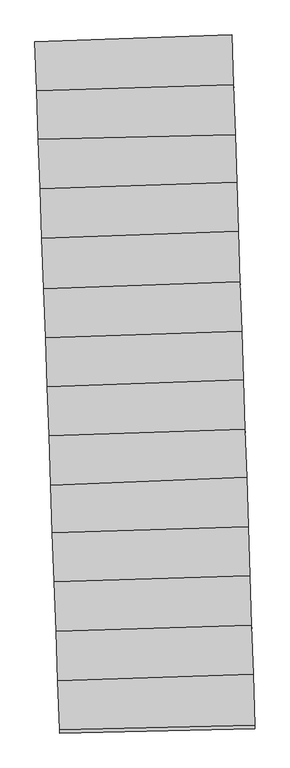
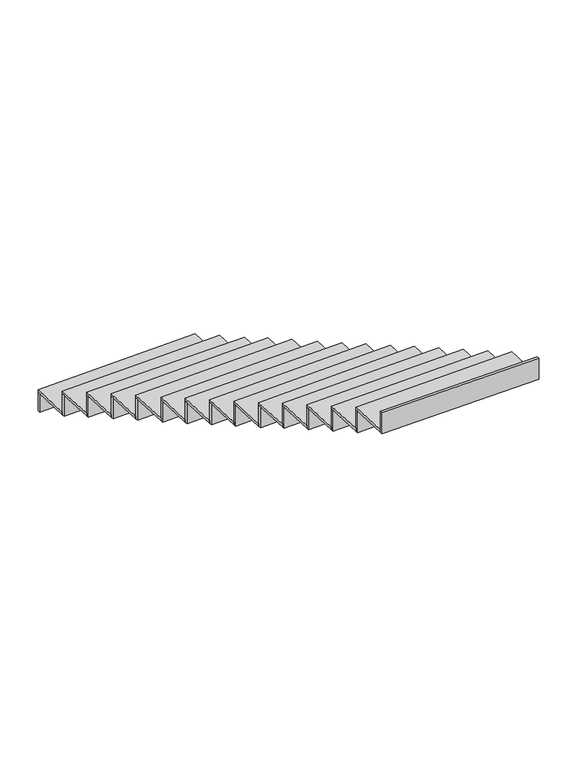
"""IFC4 building model written with IfcOpenShell, lengths in millimetres: stair flight geometry."""

from ifc_helpers import new_model, si_unit, frame, origin, place, context, project, spatial, polyline, outline, extrude, source, transform, mapped, element, save


def stair_flight_0bf007ec(model_context):
    return source(origin(), model_context, "Body", "SweptSolid", [
        extrude(outline(polyline([(-113789.8475693, 55367.4134081), (-113790.5629759, 55387.4006651), (-112585.5661448, 55427.6682399), (-112584.8981744, 55407.6793976), (-113789.8475693, 55367.4134081)])), frame((0.0, 0.0, -2466.5), z_axis=(0.0, 0.0, 1.0), x_axis=(1.0, 0.0, 0.0)), (0.0, 0.0, 1.0), 147.5197413),
        extrude(outline(polyline([(-112575.4263187, 55124.2365488), (-113779.8650817, 55088.5195087), (-113790.5629759, 55387.4006651), (-112585.5661448, 55427.6682399), (-112575.4263187, 55124.2365488)])), frame((0.0, 0.0, -2318.9802587), z_axis=(0.0, 0.0, 1.0), x_axis=(1.0, 0.0, 0.0)), (0.0, 0.0, 1.0), 20.0),
        extrude(outline(polyline([(-113779.1496637, 55068.5319321), (-113779.8650817, 55088.5195087), (-112575.4263187, 55124.2365488), (-112574.7583436, 55104.2475653), (-113779.1496637, 55068.5319321)])), frame((0.0, 0.0, -2318.9802587), z_axis=(0.0, 0.0, 1.0), x_axis=(1.0, 0.0, 0.0)), (0.0, 0.0, 1.0), 167.5197413),
        extrude(outline(polyline([(-112565.1779335, 54817.5562516), (-113769.1848994, 54790.1331896), (-113779.8650817, 55088.5195087), (-112575.4263187, 55124.2365488), (-112565.1779335, 54817.5562516)])), frame((0.0, 0.0, -2151.4605175), z_axis=(0.0, 0.0, 1.0), x_axis=(1.0, 0.0, 0.0)), (0.0, 0.0, 1.0), 20.0),
        extrude(outline(polyline([(-113768.4694342, 54770.1442983), (-113769.1848994, 54790.1331896), (-112565.1779335, 54817.5562516), (-112564.5099253, 54797.5662794), (-113768.4694342, 54770.1442983)])), frame((0.0, 0.0, -2151.4605175), z_axis=(0.0, 0.0, 1.0), x_axis=(1.0, 0.0, 0.0)), (0.0, 0.0, 1.0), 167.5197413),
        extrude(outline(polyline([(-112555.4901299, 54527.6512177), (-113758.3510981, 54487.4550174), (-113769.1848994, 54790.1331896), (-112565.1779335, 54817.5562516), (-112555.4901299, 54527.6512177)])), frame((0.0, 0.0, -1983.9407762), z_axis=(0.0, 0.0, 1.0), x_axis=(1.0, 0.0, 0.0)), (0.0, 0.0, 1.0), 20.0),
        extrude(outline(polyline([(-113757.6356915, 54467.4677603), (-113758.3510981, 54487.4550174), (-112555.4901299, 54527.6512177), (-112554.8221595, 54507.6623754), (-113757.6356915, 54467.4677603)])), frame((0.0, 0.0, -1983.9407762), z_axis=(0.0, 0.0, 1.0), x_axis=(1.0, 0.0, 0.0)), (0.0, 0.0, 1.0), 167.5197413),
        extrude(outline(polyline([(-112545.5421153, 54229.9594377), (-113747.5945157, 54186.9342116), (-113758.3510981, 54487.4550174), (-112555.4901299, 54527.6512177), (-112545.5421153, 54229.9594377)])), frame((0.0, 0.0, -1816.421035), z_axis=(0.0, 0.0, 1.0), x_axis=(1.0, 0.0, 0.0)), (0.0, 0.0, 1.0), 20.0),
        extrude(outline(polyline([(-113746.8791111, 54166.9470107), (-113747.5945157, 54186.9342116), (-112545.5421153, 54229.9594377), (-112544.8741431, 54209.9705392), (-113746.8791111, 54166.9470107)])), frame((0.0, 0.0, -1816.421035), z_axis=(0.0, 0.0, 1.0), x_axis=(1.0, 0.0, 0.0)), (0.0, 0.0, 1.0), 167.5197413),
        extrude(outline(polyline([(-112535.2304323, 53921.3849698), (-113736.5506056, 53878.3859523), (-113747.5945157, 54186.9342116), (-112545.5421153, 54229.9594377), (-112535.2304323, 53921.3849698)])), frame((0.0, 0.0, -1648.9012937), z_axis=(0.0, 0.0, 1.0), x_axis=(1.0, 0.0, 0.0)), (0.0, 0.0, 1.0), 20.0),
        extrude(outline(polyline([(-113735.835201, 53858.3987515), (-113736.5506056, 53878.3859523), (-112535.2304323, 53921.3849698), (-112534.56246, 53901.3960712), (-113735.835201, 53858.3987515)])), frame((0.0, 0.0, -1648.9012937), z_axis=(0.0, 0.0, 1.0), x_axis=(1.0, 0.0, 0.0)), (0.0, 0.0, 1.0), 167.5197413),
        extrude(outline(polyline([(-112525.1325687, 53619.2089964), (-113725.8376799, 53579.0848387), (-113736.5506056, 53878.3859523), (-112535.2304323, 53921.3849698), (-112525.1325687, 53619.2089964)])), frame((0.0, 0.0, -1481.3815524), z_axis=(0.0, 0.0, 1.0), x_axis=(1.0, 0.0, 0.0)), (0.0, 0.0, 1.0), 20.0),
        extrude(outline(polyline([(-113725.1222733, 53559.0975817), (-113725.8376799, 53579.0848387), (-112525.1325687, 53619.2089964), (-112524.4645983, 53599.2201541), (-113725.1222733, 53559.0975817)])), frame((0.0, 0.0, -1481.3815524), z_axis=(0.0, 0.0, 1.0), x_axis=(1.0, 0.0, 0.0)), (0.0, 0.0, 1.0), 167.5197413),
        extrude(outline(polyline([(-112515.190327, 53321.6899665), (-113715.0886237, 53278.7743006), (-113725.8376799, 53579.0848387), (-112525.1325687, 53619.2089964), (-112515.190327, 53321.6899665)])), frame((0.0, 0.0, -1313.8618112), z_axis=(0.0, 0.0, 1.0), x_axis=(1.0, 0.0, 0.0)), (0.0, 0.0, 1.0), 20.0),
        extrude(outline(polyline([(-113714.3732191, 53258.7870998), (-113715.0886237, 53278.7743006), (-112515.190327, 53321.6899665), (-112514.5223547, 53301.7010693), (-113714.3732191, 53258.7870998)])), frame((0.0, 0.0, -1313.8618112), z_axis=(0.0, 0.0, 1.0), x_axis=(1.0, 0.0, 0.0)), (0.0, 0.0, 1.0), 167.5197413),
        extrude(outline(polyline([(-112505.0828591, 53019.2265875), (-113704.4202268, 52980.7172471), (-113715.0886237, 53278.7743006), (-112515.190327, 53321.6899665), (-112505.0828591, 53019.2265875)])), frame((0.0, 0.0, -1146.3420699), z_axis=(0.0, 0.0, 1.0), x_axis=(1.0, 0.0, 0.0)), (0.0, 0.0, 1.0), 20.0),
        extrude(outline(polyline([(-113703.7048173, 52960.7299109), (-113704.4202268, 52980.7172471), (-112505.0828591, 53019.2265875), (-112504.4148882, 52999.2377281), (-113703.7048173, 52960.7299109)])), frame((0.0, 0.0, -1146.3420699), z_axis=(0.0, 0.0, 1.0), x_axis=(1.0, 0.0, 0.0)), (0.0, 0.0, 1.0), 167.5197413),
        extrude(outline(polyline([(-112495.3191593, 52727.0503773), (-113693.5983955, 52678.3734978), (-113704.4202268, 52980.7172471), (-112505.0828591, 53019.2265875), (-112495.3191593, 52727.0503773)])), frame((0.0, 0.0, -978.8223286), z_axis=(0.0, 0.0, 1.0), x_axis=(1.0, 0.0, 0.0)), (0.0, 0.0, 1.0), 20.0),
        extrude(outline(polyline([(-113692.8829826, 52658.3860646), (-113693.5983955, 52678.3734978), (-112495.3191593, 52727.0503773), (-112494.6511716, 52707.0610176), (-113692.8829826, 52658.3860646)])), frame((0.0, 0.0, -978.8223286), z_axis=(0.0, 0.0, 1.0), x_axis=(1.0, 0.0, 0.0)), (0.0, 0.0, 1.0), 167.5197413),
        extrude(outline(polyline([(-112485.2425184, 52425.509486), (-113683.1708486, 52387.0453881), (-113693.5983955, 52678.3734978), (-112495.3191593, 52727.0503773), (-112485.2425184, 52425.509486)])), frame((0.0, 0.0, -811.3025874), z_axis=(0.0, 0.0, 1.0), x_axis=(1.0, 0.0, 0.0)), (0.0, 0.0, 1.0), 20.0),
        extrude(outline(polyline([(-113682.4554392, 52367.058052), (-113683.1708486, 52387.0453881), (-112485.2425184, 52425.509486), (-112484.5745474, 52405.5206266), (-113682.4554392, 52367.058052)])), frame((0.0, 0.0, -811.3025874), z_axis=(0.0, 0.0, 1.0), x_axis=(1.0, 0.0, 0.0)), (0.0, 0.0, 1.0), 167.5197413),
        extrude(outline(polyline([(-112475.1687035, 52124.0531649), (-113672.4530203, 52087.6073052), (-113683.1708486, 52387.0453881), (-112485.2425184, 52425.509486), (-112475.1687035, 52124.0531649)])), frame((0.0, 0.0, -643.7828461), z_axis=(0.0, 0.0, 1.0), x_axis=(1.0, 0.0, 0.0)), (0.0, 0.0, 1.0), 20.0),
        extrude(outline(polyline([(-113671.7376055, 52067.6198187), (-113672.4530203, 52087.6073052), (-112475.1687035, 52124.0531649), (-112474.5007302, 52104.0642342), (-113671.7376055, 52067.6198187)])), frame((0.0, 0.0, -643.7828461), z_axis=(0.0, 0.0, 1.0), x_axis=(1.0, 0.0, 0.0)), (0.0, 0.0, 1.0), 167.5197413),
        extrude(outline(polyline([(-112465.0604503, 51821.5662837), (-113661.6124015, 51784.7386612), (-113672.4530203, 52087.6073052), (-112475.1687035, 52124.0531649), (-112465.0604503, 51821.5662837)])), frame((0.0, 0.0, -476.2631049), z_axis=(0.0, 0.0, 1.0), x_axis=(1.0, 0.0, 0.0)), (0.0, 0.0, 1.0), 20.0),
        extrude(outline(polyline([(-113660.8969879, 51764.7512096), (-113661.6124015, 51784.7386612), (-112465.0604503, 51821.5662837), (-112464.3924776, 51801.5773719), (-113660.8969879, 51764.7512096)])), frame((0.0, 0.0, -476.2631049), z_axis=(0.0, 0.0, 1.0), x_axis=(1.0, 0.0, 0.0)), (0.0, 0.0, 1.0), 167.5197413),
        extrude(outline(polyline([(-112455.1117193, 51523.8530613), (-113650.8881292, 51485.1205463), (-113661.6124015, 51784.7386612), (-112465.0604503, 51821.5662837), (-112455.1117193, 51523.8530613)])), frame((0.0, 0.0, -308.7433636), z_axis=(0.0, 0.0, 1.0), x_axis=(1.0, 0.0, 0.0)), (0.0, 0.0, 1.0), 20.0),
        extrude(outline(polyline([(-113650.1727205, 51465.1332301), (-113650.8881292, 51485.1205463), (-112455.1117193, 51523.8530613), (-112454.4437485, 51503.8642086), (-113650.1727205, 51465.1332301)])), frame((0.0, 0.0, -308.7433636), z_axis=(0.0, 0.0, 1.0), x_axis=(1.0, 0.0, 0.0)), (0.0, 0.0, 1.0), 167.5197413),
        extrude(outline(polyline([(-113639.4172591, 51164.6437418), (-113640.1327223, 51184.6325792), (-112444.6941593, 51212.1102547), (-112444.0261526, 51192.1203265), (-113639.4172591, 51164.6437418)])), frame((0.0, 0.0, -141.2236223), z_axis=(0.0, 0.0, 1.0), x_axis=(1.0, 0.0, 0.0)), (0.0, 0.0, 1.0), 167.5197413),
        extrude(outline(polyline([(-112444.6941593, 51212.1102547), (-113640.1327223, 51184.6325792), (-113650.8881292, 51485.1205463), (-112455.1117193, 51523.8530613), (-112444.6941593, 51212.1102547)])), frame((0.0, 0.0, -141.2236223), z_axis=(0.0, 0.0, 1.0), x_axis=(1.0, 0.0, 0.0)), (0.0, 0.0, 1.0), 20.0),
    ])


if __name__ == "__main__":
    model = new_model("IFC4")
    model_context = context("Model", 3, world=origin())
    ifc_project = project(units=[si_unit("LENGTHUNIT", "METRE", prefix="MILLI")], contexts=[model_context])
    site = spatial("IfcSite", under=ifc_project)
    building = spatial("IfcBuilding", under=site)
    placement = place(None, origin())
    stair_flight_shape = stair_flight_0bf007ec(model_context)
    element("IfcStairFlight", 1, at=placement, inside=building, context=model_context, shape_type="MappedRepresentation", body=[
        mapped(stair_flight_shape, transform((0.0, 0.0, 0.0), x_axis=(1.0, 0.0, 0.0), y_axis=(0.0, 1.0, 0.0), z_axis=(0.0, 0.0, 1.0))),
    ])
    save(model, "model.ifc")
